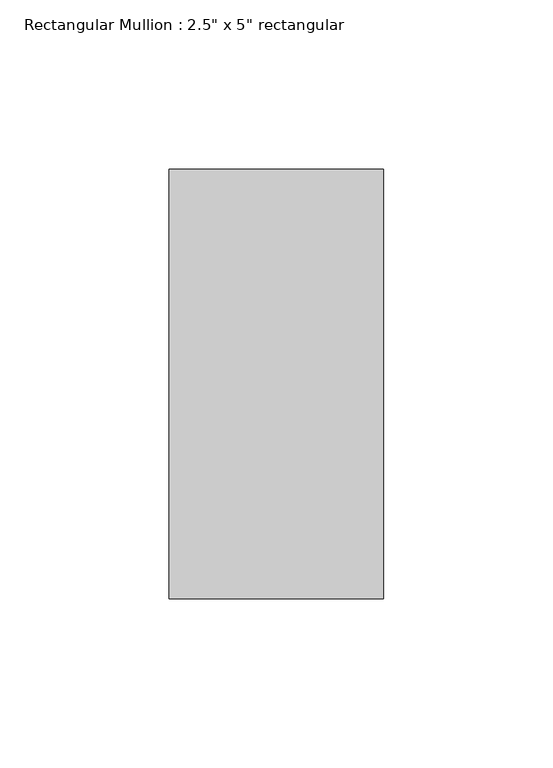
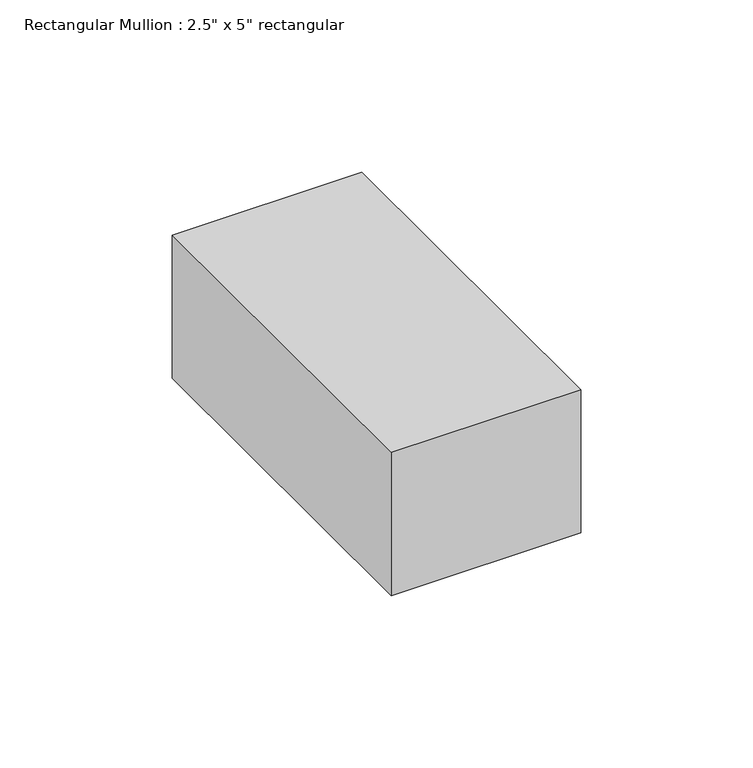
"""IFC4 building model written with IfcOpenShell, lengths in millimetres: member geometry."""

from ifc_helpers import new_model, si_unit, frame, origin, place, context, project, spatial, polyline, outline, extrude, source, transform, mapped, element, save


def member_06be906d(model_context):
    return source(origin(), model_context, "Body", "SweptSolid", [
        extrude(outline(polyline([(31.75, 63.5), (31.75, -63.5), (-31.75, -63.5), (-31.75, 63.5), (31.75, 63.5)])), frame((0.0, 0.0, -50.8), z_axis=(0.0, 0.0, 1.0), x_axis=(1.0, 0.0, 0.0)), (0.0, 0.0, 1.0), 50.8),
    ])


if __name__ == "__main__":
    model = new_model("IFC4")
    model_context = context("Model", 3, world=origin())
    ifc_project = project(units=[si_unit("LENGTHUNIT", "METRE", prefix="MILLI")], contexts=[model_context])
    site = spatial("IfcSite", under=ifc_project)
    building = spatial("IfcBuilding", under=site)
    placement = place(None, origin())
    member_shape = member_06be906d(model_context)
    element("IfcMember", 1, ObjectType="Rectangular Mullion : 2.5\" x 5\" rectangular", at=placement, inside=building, context=model_context, shape_type="MappedRepresentation", body=[
        mapped(member_shape, transform((0.0, 0.0, 0.0), x_axis=(1.0, 0.0, 0.0), y_axis=(0.0, 1.0, 0.0), z_axis=(0.0, 0.0, 1.0))),
    ])
    save(model, "model.ifc")
